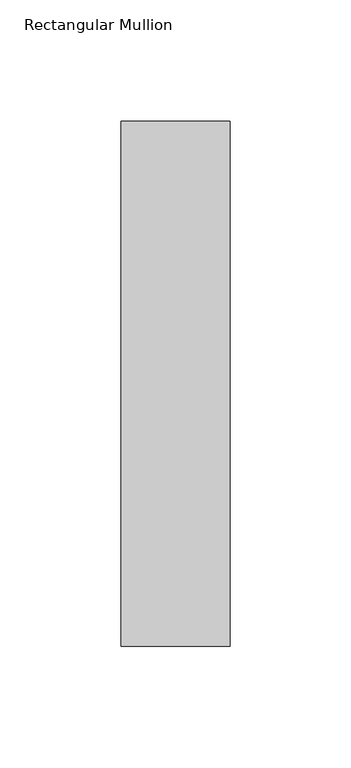
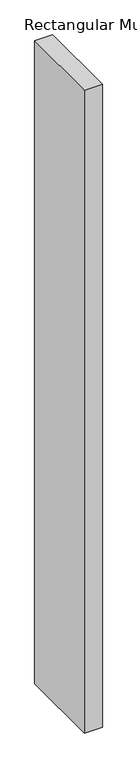
"""IFC4 building model written with IfcOpenShell, lengths in millimetres: member geometry, Rectangular Mullion."""

import ifcopenshell
import ifcopenshell.guid

model = None  # the IFC model being written
_history = None  # IfcOwnerHistory: only IFC2X3 demands one
_inside = {}  # id of a spatial element -> (the spatial element, [elements in it])
_under = {}  # id of a project, library or spatial element -> (it, [spatial elements below it])
_declared = {}  # id of a project -> (the project, [libraries it declares])
_typed = {}  # id of a type object -> (the type object, [elements of that type])
_made_of = {}  # id of a material, layer set ... -> (it, [elements and type objects made of it])


def new_model(schema):
    """Start an empty IFC model of exactly this schema.

    Asked for "IFC4X3", IfcOpenShell would pick the latest addendum, in which some entities
    have other attributes; the version numbers below select the first issue.
    IFC2X3 requires an IfcOwnerHistory on every rooted entity: one is made here for all.
    """
    global model, _history
    if schema == "IFC4X3":
        model = ifcopenshell.file(schema_version=(4, 3, 0, 0))
    else:
        model = ifcopenshell.file(schema=schema)
    _inside.clear()
    _under.clear()
    _declared.clear()
    _typed.clear()
    _made_of.clear()
    _history = None
    if model.schema == "IFC2X3":
        org = make("IfcOrganization", Name="unknown")
        user = make(
            "IfcPersonAndOrganization",
            ThePerson=make("IfcPerson", FamilyName="unknown"),
            TheOrganization=org,
        )
        app = make(
            "IfcApplication",
            ApplicationDeveloper=org,
            Version="unknown",
            ApplicationFullName="unknown",
            ApplicationIdentifier="unknown",
        )
        _history = make(
            "IfcOwnerHistory",
            OwningUser=user,
            OwningApplication=app,
            ChangeAction="ADDED",
            CreationDate=0,
        )
    return model


def make(cls, **values):
    """One entity of the class cls with the attributes given. An attribute that is None is left unset."""
    return model.create_entity(
        cls, **{name: value for name, value in values.items() if value is not None}
    )


def rooted(cls, **values):
    """An entity with a GlobalId (a new one), such as an element, a storey or a relation."""
    return make(cls, GlobalId=ifcopenshell.guid.new(), OwnerHistory=_history, **values)


def si_unit(unit_type, name, prefix=None):
    """IfcSIUnit, for example si_unit("LENGTHUNIT", "METRE", prefix="MILLI")."""
    return make("IfcSIUnit", UnitType=unit_type, Prefix=prefix, Name=name)


def assignment(units):
    """IfcUnitAssignment: the units of a project."""
    return None if units is None else make("IfcUnitAssignment", Units=units)


def point(xyz):
    """IfcCartesianPoint."""
    return None if xyz is None else make("IfcCartesianPoint", Coordinates=xyz)


def direction(xyz):
    """IfcDirection."""
    return None if xyz is None else make("IfcDirection", DirectionRatios=xyz)


def frame(location, z_axis=None, x_axis=None):
    """IfcAxis2Placement3D, a coordinate frame: its origin and axes. An axis left out is left unset."""
    return make(
        "IfcAxis2Placement3D",
        Location=point(location),
        Axis=direction(z_axis),
        RefDirection=direction(x_axis),
    )


def origin():
    """The frame at (0, 0, 0) with its axes left unset."""
    return frame((0.0, 0.0, 0.0))


def place(relative_to, where):
    """IfcLocalPlacement: puts the frame where relative to a parent placement (None: the world)."""
    return make(
        "IfcLocalPlacement", PlacementRelTo=relative_to, RelativePlacement=where
    )


def context(
    kind, dimensions, precision=None, world=None, true_north=None, identifier=None
):
    """IfcGeometricRepresentationContext, for example the 3D "Model" context."""
    return make(
        "IfcGeometricRepresentationContext",
        ContextIdentifier=identifier,
        ContextType=kind,
        CoordinateSpaceDimension=dimensions,
        Precision=precision,
        WorldCoordinateSystem=world,
        TrueNorth=true_north,
    )


def project(units=None, contexts=None):
    """IfcProject with its units and contexts."""
    return rooted(
        "IfcProject",
        Name="project",
        RepresentationContexts=contexts,
        UnitsInContext=assignment(units),
    )


def spatial(cls, under=None, at=None, **own):
    """A site, building, storey or space (cls), placed at a placement, below another one or the project."""
    s = rooted(cls, ObjectPlacement=at, **own)
    if under is not None:
        _under.setdefault(under.id(), (under, []))[1].append(s)
    return s


def polyline(points):
    """IfcPolyline through the points."""
    return make("IfcPolyline", Points=[point(p) for p in points])


def outline(outer, holes=None, kind="AREA"):
    """IfcArbitraryClosedProfileDef: a profile drawn as a closed curve; with holes, ...WithVoids."""
    if holes is None:
        return make("IfcArbitraryClosedProfileDef", ProfileType=kind, OuterCurve=outer)
    return make(
        "IfcArbitraryProfileDefWithVoids",
        ProfileType=kind,
        OuterCurve=outer,
        InnerCurves=holes,
    )


def extrude(swept, where, along, depth):
    """IfcExtrudedAreaSolid: the profile swept, set in the frame where, extruded along a direction by depth."""
    return make(
        "IfcExtrudedAreaSolid",
        SweptArea=swept,
        Position=where,
        ExtrudedDirection=direction(along),
        Depth=depth,
    )


def shape(context_of_items, identifier, shape_type, items):
    """IfcShapeRepresentation: the items that make up one representation, for example the "Body"."""
    return make(
        "IfcShapeRepresentation",
        ContextOfItems=context_of_items,
        RepresentationIdentifier=identifier,
        RepresentationType=shape_type,
        Items=items,
    )


def source(mapping_origin, context_of_items, identifier, shape_type, items):
    """IfcRepresentationMap: a shape defined once, which mapped items show again and again."""
    return make(
        "IfcRepresentationMap",
        MappingOrigin=mapping_origin,
        MappedRepresentation=shape(context_of_items, identifier, shape_type, items),
    )


def transform(
    local_origin,
    x_axis=None,
    y_axis=None,
    z_axis=None,
    scale=None,
    scale2=None,
    scale3=None,
    uniform=True,
):
    """IfcCartesianTransformationOperator3D, or its non-uniform kind. x_axis, y_axis, z_axis: its Axis1, 2, 3."""
    if uniform:
        return make(
            "IfcCartesianTransformationOperator3D",
            Axis1=direction(x_axis),
            Axis2=direction(y_axis),
            LocalOrigin=point(local_origin),
            Scale=scale,
            Axis3=direction(z_axis),
        )
    return make(
        "IfcCartesianTransformationOperator3DnonUniform",
        Axis1=direction(x_axis),
        Axis2=direction(y_axis),
        LocalOrigin=point(local_origin),
        Scale=scale,
        Axis3=direction(z_axis),
        Scale2=scale2,
        Scale3=scale3,
    )


def mapped(mapping_source, mapping_target):
    """IfcMappedItem: shows the shape of a source again, moved by a transform."""
    return make(
        "IfcMappedItem", MappingSource=mapping_source, MappingTarget=mapping_target
    )


def made_of(thing, what):
    """Note that an element or type object is made of a material, layer set ...; save() writes the relation."""
    if what is not None:
        _made_of.setdefault(what.id(), (what, []))[1].append(thing)
    return thing


def element(
    cls,
    number,
    at=None,
    inside=None,
    cuts=None,
    type_object=None,
    material=None,
    context=None,
    identifier="Body",
    shape_type=None,
    held_by="IfcProductDefinitionShape",
    body=None,
    shapes=None,
    **own,
):
    """One element of the class cls, such as IfcWall. Its Tag is "e" and its number.

    at: its placement. inside: the storey or other place that contains it. cuts: it is an
    opening in that element (IfcRelVoidsElement). A single representation is given by context,
    identifier, shape_type and body (its items); several are given by shapes. held_by: the class
    of the entity that holds the representations. save() writes the other relations.
    """
    e = rooted(cls, Tag="e%d" % number, ObjectPlacement=at, **own)
    if body is not None:
        shapes = [shape(context, identifier, shape_type, body)]
    if shapes is not None:
        e.Representation = make(held_by, Representations=shapes)
    if inside is not None:
        _inside.setdefault(inside.id(), (inside, []))[1].append(e)
    if cuts is not None:
        rooted(
            "IfcRelVoidsElement", RelatingBuildingElement=cuts, RelatedOpeningElement=e
        )
    if type_object is not None:
        _typed.setdefault(type_object.id(), (type_object, []))[1].append(e)
    return made_of(e, material)


def aggregate(whole, parts):
    """IfcRelAggregates: a whole, such as a stair, and the parts it consists of."""
    return rooted("IfcRelAggregates", RelatingObject=whole, RelatedObjects=parts)


def save(model, path):
    """Write the relations noted so far, then the file.

    IfcRelAggregates (storeys below a building ...), IfcRelContainedInSpatialStructure (elements
    in a storey), IfcRelDefinesByType, IfcRelAssociatesMaterial and IfcRelDeclares: one each for
    every whole, place, type object, material and project.
    """
    for whole, parts in _under.values():
        aggregate(whole, parts)
    for where, things in _inside.values():
        rooted(
            "IfcRelContainedInSpatialStructure",
            RelatedElements=things,
            RelatingStructure=where,
        )
    for kind, things in _typed.values():
        rooted("IfcRelDefinesByType", RelatedObjects=things, RelatingType=kind)
    for what, things in _made_of.values():
        rooted("IfcRelAssociatesMaterial", RelatedObjects=things, RelatingMaterial=what)
    for by, libraries in _declared.values():
        rooted("IfcRelDeclares", RelatingContext=by, RelatedDefinitions=libraries)
    model.write(path)


def rectangular_mullion_0cf75e0d(model_context):
    return source(origin(), model_context, "Body", "SweptSolid", [
        extrude(outline(polyline([(22.5, 173.875), (22.5, -42.875), (-22.5, -42.875), (-22.5, 173.875), (22.5, 173.875)])), frame((0.0, 0.0, -1708.8912252), z_axis=(0.0, 0.0, 1.0), x_axis=(1.0, 0.0, 0.0)), (0.0, 0.0, 1.0), 1708.8912252),
    ])


if __name__ == "__main__":
    model = new_model("IFC4")
    model_context = context("Model", 3, world=origin())
    ifc_project = project(units=[si_unit("LENGTHUNIT", "METRE", prefix="MILLI")], contexts=[model_context])
    site = spatial("IfcSite", under=ifc_project)
    building = spatial("IfcBuilding", under=site)
    placement = place(None, origin())
    rectangular_mullion_shape = rectangular_mullion_0cf75e0d(model_context)
    element("IfcMember", 1, ObjectType="Rectangular Mullion", at=placement, inside=building, context=model_context, shape_type="MappedRepresentation", body=[
        mapped(rectangular_mullion_shape, transform((0.0, 0.0, 0.0), x_axis=(1.0, 0.0, 0.0), y_axis=(0.0, 1.0, 0.0), z_axis=(0.0, 0.0, 1.0))),
    ])
    save(model, "model.ifc")
